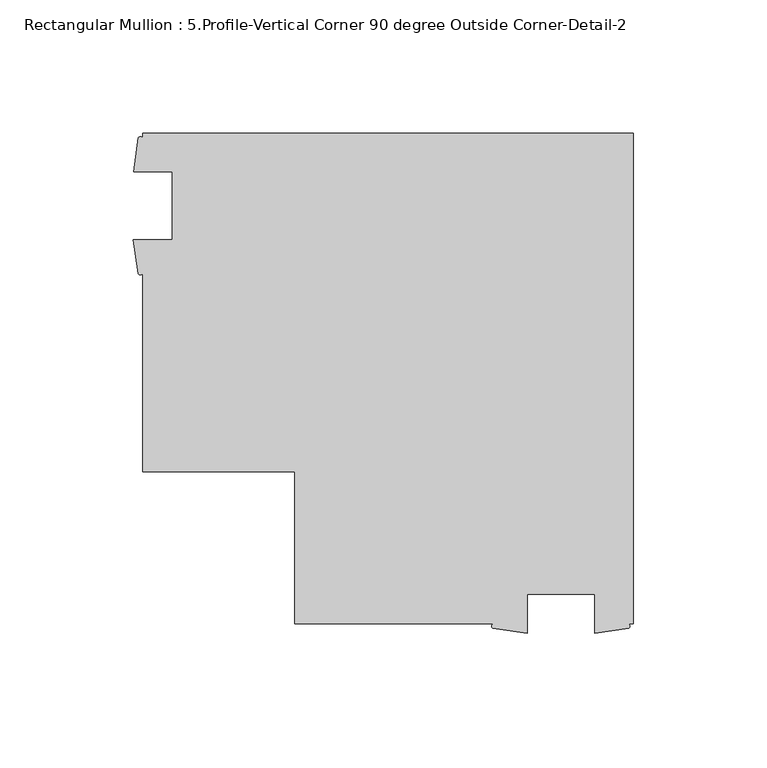
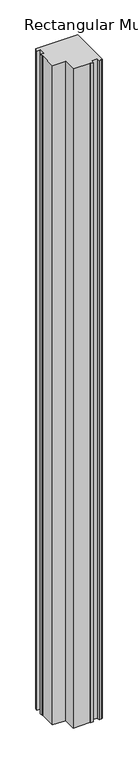
"""IFC4 building model written with IfcOpenShell, lengths in millimetres: member geometry, Rectangular Mullion : 5.Profile-Vertical Corner 90 degree Outside Corner-Detail-2."""

from ifc_helpers import new_model, si_unit, point, frame, frame_2d, origin, place, context, project, spatial, polyline, circle_curve, trimmed, segment, composite_curve, outline, extrude, source, transform, mapped, element, save


def rectangular_mullion_5_profile_vertical_corner_90_degree_620b5b33(model_context):
    return source(origin(), model_context, "Body", "SweptSolid", [
        extrude(outline(composite_curve([segment(polyline([(0.0, 0.0), (0.0, -184.15), (-1.7322375, -184.15)]), True, "CONTINUOUS"), segment(trimmed(circle_curve(frame_2d((-2.2266797, -184.9429481)), 0.934473), [point((-1.7322375, -184.15))], [point((-1.7322375, -185.7358963))], False, "CARTESIAN"), True, "CONTINUOUS"), segment(polyline([(-1.7322375, -185.7358963), (-14.503525, -187.546), (-14.503525, -173.0375), (-39.903525, -173.0375), (-39.903525, -187.6695217), (-52.6765778, -185.8134044)]), True, "CONTINUOUS"), segment(trimmed(circle_curve(frame_2d((-52.1290615, -184.9817022)), 0.9957423), [point((-52.6765778, -185.8134044))], [point((-52.6765778, -184.15))], False, "CARTESIAN"), True, "CONTINUOUS"), segment(polyline([(-52.6765778, -184.15), (-127.0, -184.15), (-127.0, -127.0), (-184.15, -127.0), (-184.15, -52.6765778)]), True, "CONTINUOUS"), segment(trimmed(circle_curve(frame_2d((-184.9817022, -52.1056786)), 1.0087886), [point((-184.15, -52.6765778))], [point((-185.8134044, -52.6765778))], False, "CARTESIAN"), True, "CONTINUOUS"), segment(polyline([(-185.8134044, -52.6765778), (-187.6695217, -39.903525), (-173.0375, -39.903525), (-173.0375, -14.503525), (-187.546, -14.503525), (-185.7358963, -1.7322375)]), True, "CONTINUOUS"), segment(trimmed(circle_curve(frame_2d((-184.9429481, -2.2570349)), 0.9508833), [point((-185.7358963, -1.7322375))], [point((-184.15, -1.7322375))], False, "CARTESIAN"), True, "CONTINUOUS"), segment(polyline([(-184.15, -1.7322375), (-184.15, 0.0), (0.0, 0.0)]), True, "CONTINUOUS")], self_intersect=False)), frame((0.0, 0.0, -3048.0), z_axis=(0.0, 0.0, 1.0), x_axis=(1.0, 0.0, 0.0)), (0.0, 0.0, 1.0), 3048.0),
    ])


if __name__ == "__main__":
    model = new_model("IFC4")
    model_context = context("Model", 3, world=origin())
    ifc_project = project(units=[si_unit("LENGTHUNIT", "METRE", prefix="MILLI")], contexts=[model_context])
    site = spatial("IfcSite", under=ifc_project)
    building = spatial("IfcBuilding", under=site)
    placement = place(None, origin())
    rectangular_mullion_5_profile_vertical_corner_90_degree_shape = rectangular_mullion_5_profile_vertical_corner_90_degree_620b5b33(model_context)
    element("IfcMember", 1, ObjectType="Rectangular Mullion : 5.Profile-Vertical Corner 90 degree Outside Corner-Detail-2", at=placement, inside=building, context=model_context, shape_type="MappedRepresentation", body=[
        mapped(rectangular_mullion_5_profile_vertical_corner_90_degree_shape, transform((0.0, 0.0, 0.0), x_axis=(1.0, 0.0, 0.0), y_axis=(0.0, 1.0, 0.0), z_axis=(0.0, 0.0, 1.0))),
    ])
    save(model, "model.ifc")
